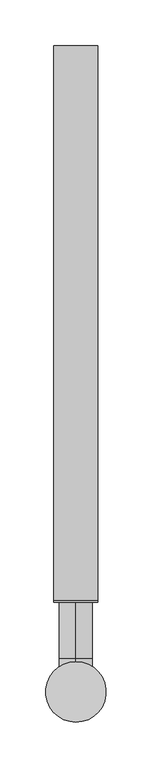
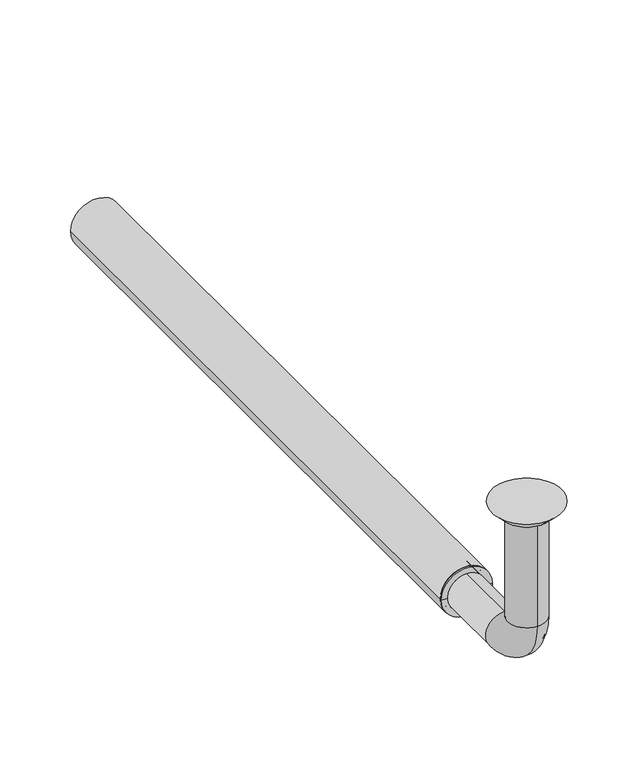
"""IFC4 building model written with IfcOpenShell, lengths in millimetres: beam geometry."""

from ifc_helpers import new_model, si_unit, point, frame, frame_2d, origin, place, context, project, spatial, polyline, circle_curve, ellipse_curve, trimmed, segment, composite_curve, outline, extrude, source, transform, mapped, element, save
from ifc_brep_helpers import plane_surface, cylinder_surface, revolved_surface, advanced_brep


def beam_8ea09097(model_context):
    return source(origin(), model_context, "Body", "SolidModel", [
        extrude(outline(composite_curve([segment(trimmed(circle_curve(frame_2d((-150.0, 0.0)), 24.0), [point((-150.0, 24.0))], [point((-150.0, -24.0))], False, "CARTESIAN"), True, "CONTINUOUS"), segment(trimmed(circle_curve(frame_2d((-150.0, 0.0)), 24.0), [point((-150.0, -24.0))], [point((-150.0, 24.0))], False, "CARTESIAN"), True, "CONTINUOUS")], self_intersect=False), holes=[composite_curve([segment(trimmed(circle_curve(frame_2d((-150.0, 0.0)), 21.0), [point((-150.0, 21.0))], [point((-150.0, -21.0))], True, "CARTESIAN"), True, "CONTINUOUS"), segment(trimmed(circle_curve(frame_2d((-150.0, 0.0)), 21.0), [point((-150.0, -21.0))], [point((-150.0, 21.0))], True, "CARTESIAN"), True, "CONTINUOUS")], self_intersect=False)]), frame((0.0, 100.0, 0.0), z_axis=(0.0, 1.0, 0.0), x_axis=(0.0, 0.0, 1.0)), (0.0, 0.0, 1.0), 605.0),
        advanced_brep(
        [(0.0, -18.0, -10.0), (0.0, 18.0, -10.0), (0.0, -17.0, -10.0), (0.0, 17.0, -10.0), (0.0, -18.0, -114.0), (0.0, 18.0, -114.0), (0.0, -17.0, -114.0), (0.0, 17.0, -114.0), (0.0, 36.0, -132.0), (0.0, 36.0, -168.0), (0.0, 36.0, -133.0), (0.0, 36.0, -167.0), (0.0, 123.0, -168.0), (0.0, 123.0, -132.0), (0.0, 123.0, -167.0), (0.0, 123.0, -133.0)],
        [
            (0, 1, circle_curve(frame((0.0, 0.0, -10.0), z_axis=(0.0, 0.0, 1.0), x_axis=(0.0, 1.0, 0.0)), 18.0)),
            (1, 0, circle_curve(frame((0.0, 0.0, -10.0), z_axis=(0.0, 0.0, 1.0), x_axis=(0.0, 1.0, 0.0)), 18.0)),
            (2, 3, circle_curve(frame((0.0, 0.0, -10.0), z_axis=(0.0, 0.0, -1.0), x_axis=(0.0, 1.0, 0.0)), 17.0)),
            (3, 2, circle_curve(frame((0.0, 0.0, -10.0), z_axis=(0.0, 0.0, -1.0), x_axis=(0.0, 1.0, 0.0)), 17.0)),
            (0, 4),
            (4, 5, circle_curve(frame((0.0, 0.0, -114.0), z_axis=(0.0, 0.0, 1.0), x_axis=(0.0, 1.0, 0.0)), 18.0)),
            (5, 1),
            (5, 4, circle_curve(frame((0.0, 0.0, -114.0), z_axis=(0.0, 0.0, 1.0), x_axis=(0.0, 1.0, 0.0)), 18.0)),
            (2, 6),
            (6, 7, circle_curve(frame((0.0, 0.0, -114.0), z_axis=(0.0, 0.0, -1.0), x_axis=(0.0, 1.0, 0.0)), 17.0)),
            (7, 3),
            (7, 6, circle_curve(frame((0.0, 0.0, -114.0), z_axis=(0.0, 0.0, -1.0), x_axis=(0.0, 1.0, 0.0)), 17.0)),
            (8, 5, circle_curve(frame((0.0, 36.0, -114.0), z_axis=(-1.0, 0.0, 0.0), x_axis=(0.0, -1.0, 0.0)), 18.0)),
            (4, 9, circle_curve(frame((0.0, 36.0, -114.0), z_axis=(1.0, 0.0, 0.0), x_axis=(0.0, -1.0, 0.0)), 54.0)),
            (9, 8, circle_curve(frame((0.0, 36.0, -150.0), z_axis=(0.0, -1.0, 0.0), x_axis=(0.0, 0.0, 1.0)), 18.0)),
            (8, 9, circle_curve(frame((0.0, 36.0, -150.0), z_axis=(0.0, -1.0, 0.0), x_axis=(0.0, 0.0, 1.0)), 18.0)),
            (10, 7, circle_curve(frame((0.0, 36.0, -114.0), z_axis=(-1.0, 0.0, 0.0), x_axis=(0.0, -1.0, 0.0)), 19.0)),
            (6, 11, circle_curve(frame((0.0, 36.0, -114.0), z_axis=(1.0, 0.0, 0.0), x_axis=(0.0, -1.0, 0.0)), 53.0)),
            (11, 10, circle_curve(frame((0.0, 36.0, -150.0), z_axis=(0.0, 1.0, 0.0), x_axis=(0.0, 0.0, 1.0)), 17.0)),
            (10, 11, circle_curve(frame((0.0, 36.0, -150.0), z_axis=(0.0, 1.0, 0.0), x_axis=(0.0, 0.0, 1.0)), 17.0)),
            (12, 13, circle_curve(frame((0.0, 123.0, -150.0), z_axis=(0.0, 1.0, 0.0), x_axis=(0.0, 0.0, 1.0)), 18.0)),
            (13, 12, circle_curve(frame((0.0, 123.0, -150.0), z_axis=(0.0, 1.0, 0.0), x_axis=(0.0, 0.0, 1.0)), 18.0)),
            (14, 15, circle_curve(frame((0.0, 123.0, -150.0), z_axis=(0.0, -1.0, 0.0), x_axis=(0.0, 0.0, 1.0)), 17.0)),
            (15, 14, circle_curve(frame((0.0, 123.0, -150.0), z_axis=(0.0, -1.0, 0.0), x_axis=(0.0, 0.0, 1.0)), 17.0)),
            (9, 12),
            (13, 8),
            (11, 14),
            (15, 10),
        ],
        [
            plane_surface(frame((0.0, 0.0, -10.0), z_axis=(0.0, 0.0, 1.0), x_axis=(1.0, 0.0, 0.0))),
            cylinder_surface(frame((0.0, 0.0, -10.0), z_axis=(0.0, 0.0, 1.0), x_axis=(0.0, 1.0, 0.0)), 18.0),
            revolved_surface(polyline([(0.0, 17.0, -114.0), (0.0, 17.0, -10.0)]), (0.0, 0.0, -10.0), (0.0, 0.0, -1.0)),
            revolved_surface(trimmed(ellipse_curve(frame((0.0, 0.0, -114.0), z_axis=(0.0, 0.0, 1.0), x_axis=(0.0, 1.0, 0.0)), 18.0, 18.0), [point((0.0, -18.0, -114.0))], [point((0.0, 18.0, -114.0))], True, "CARTESIAN"), (0.0, 36.0, -114.0), (1.0, 0.0, 0.0)),
            revolved_surface(trimmed(ellipse_curve(frame((0.0, 0.0, -114.0), z_axis=(0.0, 0.0, 1.0), x_axis=(0.0, 1.0, 0.0)), 18.0, 18.0), [point((0.0, 18.0, -114.0))], [point((0.0, -18.0, -114.0))], True, "CARTESIAN"), (0.0, 36.0, -114.0), (1.0, 0.0, 0.0)),
            revolved_surface(trimmed(ellipse_curve(frame((0.0, 0.0, -114.0), z_axis=(0.0, 0.0, -1.0), x_axis=(0.0, 1.0, 0.0)), 17.0, 17.0), [point((0.0, -17.0, -114.0))], [point((0.0, 17.0, -114.0))], True, "CARTESIAN"), (0.0, 36.0, -114.0), (1.0, 0.0, 0.0)),
            revolved_surface(trimmed(ellipse_curve(frame((0.0, 0.0, -114.0), z_axis=(0.0, 0.0, -1.0), x_axis=(0.0, 1.0, 0.0)), 17.0, 17.0), [point((0.0, 17.0, -114.0))], [point((0.0, -17.0, -114.0))], True, "CARTESIAN"), (0.0, 36.0, -114.0), (1.0, 0.0, 0.0)),
            plane_surface(frame((0.0, 123.0, -150.0), z_axis=(0.0, 1.0, 0.0), x_axis=(1.0, 0.0, 0.0))),
            cylinder_surface(frame((0.0, 36.0, -150.0), z_axis=(0.0, -1.0, 0.0), x_axis=(0.0, 0.0, 1.0)), 18.0),
            revolved_surface(polyline([(0.0, 123.0, -133.0), (0.0, 36.0, -133.0)]), (0.0, 36.0, -150.0), (0.0, 1.0, 0.0)),
        ],
        [
            (0, [[1, 2], [3, 4]]),
            (1, [[-1, 5, 6, 7]]),
            (1, [[-2, -7, 8, -5]]),
            (2, [[-3, 9, 10, 11]]),
            (2, [[-4, -11, 12, -9]]),
            (3, [[13, -6, 14, 15]]),
            (4, [[-14, -8, -13, 16]]),
            (5, [[17, -10, 18, 19]]),
            (6, [[-18, -12, -17, 20]]),
            (7, [[21, 22], [23, 24]]),
            (8, [[-15, 25, -22, 26]]),
            (8, [[-16, -26, -21, -25]]),
            (9, [[-19, 27, -24, 28]]),
            (9, [[-20, -28, -23, -27]]),
        ],
    ),
        advanced_brep(
        [(0.0, 23.0, -10.0), (0.0, -23.0, -10.0), (0.0, 33.0, 0.0), (0.0, -33.0, 0.0)],
        [
            (0, 1, circle_curve(frame((0.0, 0.0, -10.0), z_axis=(0.0, 0.0, -1.0), x_axis=(0.0, 1.0, 0.0)), 23.0)),
            (1, 0, circle_curve(frame((0.0, 0.0, -10.0), z_axis=(0.0, 0.0, -1.0), x_axis=(0.0, -1.0, 0.0)), 23.0)),
            (2, 3, circle_curve(frame((0.0, 0.0, 0.0), z_axis=(0.0, 0.0, 1.0), x_axis=(0.0, -1.0, 0.0)), 33.0)),
            (3, 2, circle_curve(frame((0.0, 0.0, 0.0), z_axis=(0.0, 0.0, 1.0), x_axis=(0.0, 1.0, 0.0)), 33.0)),
            (3, 1),
            (0, 2),
        ],
        [
            plane_surface(frame((0.0, 0.0, -10.0), z_axis=(0.0, 0.0, -1.0), x_axis=(-1.0, 0.0, 0.0))),
            plane_surface(frame((0.0, 0.0, 0.0), z_axis=(0.0, 0.0, 1.0), x_axis=(-1.0, 0.0, 0.0))),
            revolved_surface(polyline([(0.0, 23.0, -10.0), (0.0, 33.0, 0.0)]), (0.0, 0.0, -33.0), (0.0, 0.0, 1.0)),
            revolved_surface(polyline([(0.0, -23.0, -10.0), (0.0, -33.0, 0.0)]), (0.0, 0.0, -33.0), (0.0, 0.0, 1.0)),
        ],
        [
            (0, [[1, 2]]),
            (1, [[3, 4]]),
            (2, [[-4, 5, -1, 6]]),
            (3, [[-3, -6, -2, -5]]),
        ],
    ),
        advanced_brep(
        [(21.0, 100.0, -150.0), (-21.0, 100.0, -150.0), (-21.0, 123.0, -150.0), (21.0, 123.0, -150.0), (-18.0, 123.0, -150.0), (18.0, 123.0, -150.0), (-18.0, 98.0, -150.0), (18.0, 98.0, -150.0), (-24.0, 98.0, -150.0), (24.0, 98.0, -150.0), (-24.0, 100.0, -150.0), (24.0, 100.0, -150.0)],
        [
            (0, 1, circle_curve(frame((0.0, 100.0, -150.0), z_axis=(0.0, 1.0, 0.0), x_axis=(-1.0, 0.0, 0.0)), 21.0)),
            (1, 2),
            (2, 3, circle_curve(frame((0.0, 123.0, -150.0), z_axis=(0.0, -1.0, 0.0), x_axis=(-1.0, 0.0, 0.0)), 21.0)),
            (3, 0),
            (1, 0, circle_curve(frame((0.0, 100.0, -150.0), z_axis=(0.0, 1.0, 0.0), x_axis=(-1.0, 0.0, 0.0)), 21.0)),
            (3, 2, circle_curve(frame((0.0, 123.0, -150.0), z_axis=(0.0, -1.0, 0.0), x_axis=(-1.0, 0.0, 0.0)), 21.0)),
            (2, 4),
            (4, 5, circle_curve(frame((0.0, 123.0, -150.0), z_axis=(0.0, -1.0, 0.0), x_axis=(-1.0, 0.0, 0.0)), 18.0)),
            (5, 3),
            (5, 4, circle_curve(frame((0.0, 123.0, -150.0), z_axis=(0.0, -1.0, 0.0), x_axis=(-1.0, 0.0, 0.0)), 18.0)),
            (4, 6),
            (6, 7, circle_curve(frame((0.0, 98.0, -150.0), z_axis=(0.0, -1.0, 0.0), x_axis=(-1.0, 0.0, 0.0)), 18.0)),
            (7, 5),
            (7, 6, circle_curve(frame((0.0, 98.0, -150.0), z_axis=(0.0, -1.0, 0.0), x_axis=(-1.0, 0.0, 0.0)), 18.0)),
            (6, 8),
            (8, 9, circle_curve(frame((0.0, 98.0, -150.0), z_axis=(0.0, -1.0, 0.0), x_axis=(-1.0, 0.0, 0.0)), 24.0)),
            (9, 7),
            (9, 8, circle_curve(frame((0.0, 98.0, -150.0), z_axis=(0.0, -1.0, 0.0), x_axis=(-1.0, 0.0, 0.0)), 24.0)),
            (8, 10),
            (10, 11, circle_curve(frame((0.0, 100.0, -150.0), z_axis=(0.0, -1.0, 0.0), x_axis=(-1.0, 0.0, 0.0)), 24.0)),
            (11, 9),
            (11, 10, circle_curve(frame((0.0, 100.0, -150.0), z_axis=(0.0, -1.0, 0.0), x_axis=(-1.0, 0.0, 0.0)), 24.0)),
            (10, 1),
            (0, 11),
        ],
        [
            cylinder_surface(frame((0.0, 98.0, -150.0), z_axis=(0.0, -1.0, 0.0), x_axis=(-1.0, 0.0, 0.0)), 21.0),
            plane_surface(frame((0.0, 123.0, -150.0), z_axis=(0.0, 1.0, 0.0), x_axis=(-1.0, 0.0, 0.0))),
            revolved_surface(polyline([(-18.0, 98.0, -150.0), (-18.0, 123.0, -150.0)]), (0.0, 98.0, -150.0), (0.0, -1.0, 0.0)),
            plane_surface(frame((0.0, 98.0, -150.0), z_axis=(0.0, -1.0, 0.0), x_axis=(-1.0, 0.0, 0.0))),
            cylinder_surface(frame((0.0, 98.0, -150.0), z_axis=(0.0, -1.0, 0.0), x_axis=(-1.0, 0.0, 0.0)), 24.0),
            plane_surface(frame((0.0, 100.0, -150.0), z_axis=(0.0, 1.0, 0.0), x_axis=(-1.0, 0.0, 0.0))),
        ],
        [
            (0, [[1, 2, 3, 4]]),
            (0, [[5, -4, 6, -2]]),
            (1, [[-3, 7, 8, 9]]),
            (1, [[-6, -9, 10, -7]]),
            (2, [[-8, 11, 12, 13]]),
            (2, [[-10, -13, 14, -11]]),
            (3, [[-12, 15, 16, 17]]),
            (3, [[-14, -17, 18, -15]]),
            (4, [[-16, 19, 20, 21]]),
            (4, [[-18, -21, 22, -19]]),
            (5, [[-20, 23, -1, 24]]),
            (5, [[-22, -24, -5, -23]]),
        ],
    ),
    ])


if __name__ == "__main__":
    model = new_model("IFC4")
    model_context = context("Model", 3, world=origin())
    ifc_project = project(units=[si_unit("LENGTHUNIT", "METRE", prefix="MILLI")], contexts=[model_context])
    site = spatial("IfcSite", under=ifc_project)
    building = spatial("IfcBuilding", under=site)
    placement = place(None, origin())
    beam_shape = beam_8ea09097(model_context)
    element("IfcBeam", 1, at=placement, inside=building, context=model_context, shape_type="MappedRepresentation", body=[
        mapped(beam_shape, transform((0.0, 0.0, 0.0), x_axis=(1.0, 0.0, 0.0), y_axis=(0.0, 1.0, 0.0), z_axis=(0.0, 0.0, 1.0))),
    ])
    save(model, "model.ifc")
